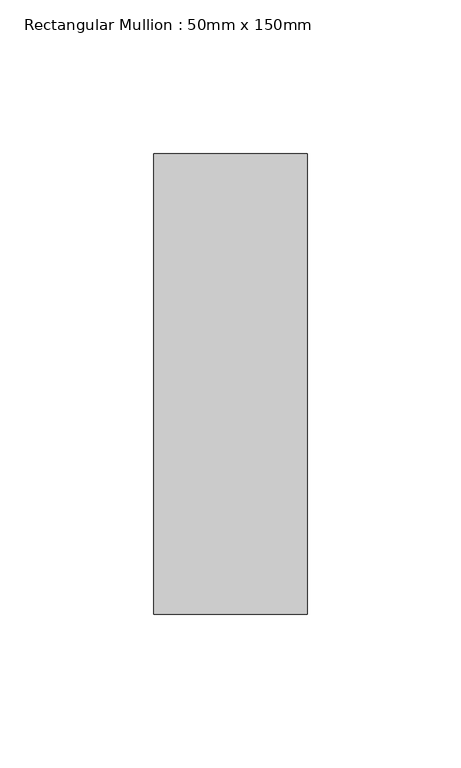
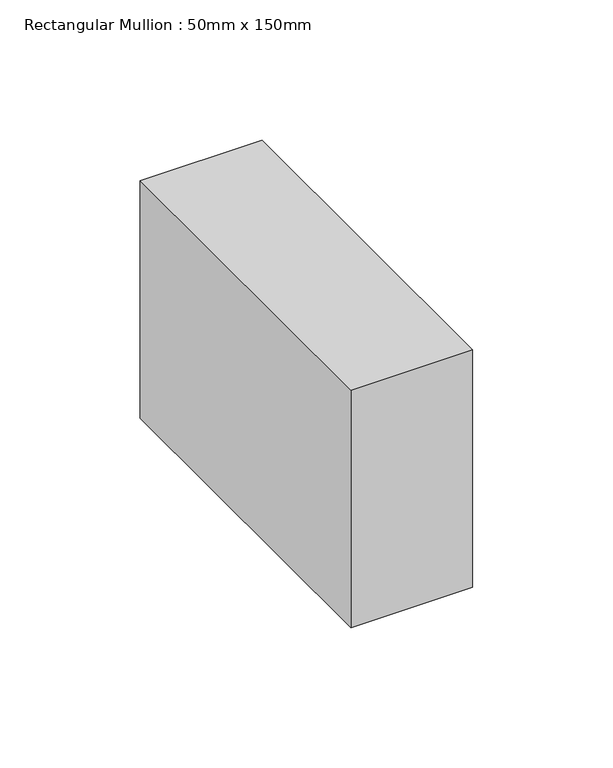
"""IFC4 building model written with IfcOpenShell, lengths in millimetres: member geometry, Rectangular Mullion : 50mm x 150mm."""

from ifc_helpers import new_model, si_unit, frame, origin, place, context, project, spatial, polyline, outline, extrude, source, transform, mapped, element, save


def rectangular_mullion_50mm_x_150mm_6d65695c(model_context):
    return source(origin(), model_context, "Body", "SweptSolid", [
        extrude(outline(polyline([(25.0, 75.0), (25.0, -75.0), (-25.0, -75.0), (-25.0, 75.0), (25.0, 75.0)])), frame((0.0, 0.0, -103.1813517), z_axis=(0.0, 0.0, 1.0), x_axis=(1.0, 0.0, 0.0)), (0.0, 0.0, 1.0), 103.1813517),
    ])


if __name__ == "__main__":
    model = new_model("IFC4")
    model_context = context("Model", 3, world=origin())
    ifc_project = project(units=[si_unit("LENGTHUNIT", "METRE", prefix="MILLI")], contexts=[model_context])
    site = spatial("IfcSite", under=ifc_project)
    building = spatial("IfcBuilding", under=site)
    placement = place(None, origin())
    rectangular_mullion_50mm_x_150mm_shape = rectangular_mullion_50mm_x_150mm_6d65695c(model_context)
    element("IfcMember", 1, ObjectType="Rectangular Mullion : 50mm x 150mm", at=placement, inside=building, context=model_context, shape_type="MappedRepresentation", body=[
        mapped(rectangular_mullion_50mm_x_150mm_shape, transform((0.0, 0.0, 0.0), x_axis=(1.0, 0.0, 0.0), y_axis=(0.0, 1.0, 0.0), z_axis=(0.0, 0.0, 1.0))),
    ])
    save(model, "model.ifc")
